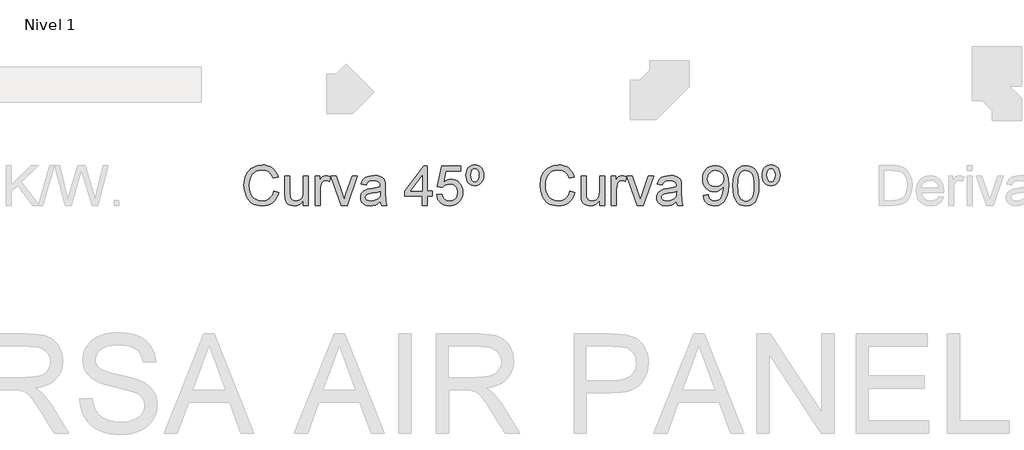
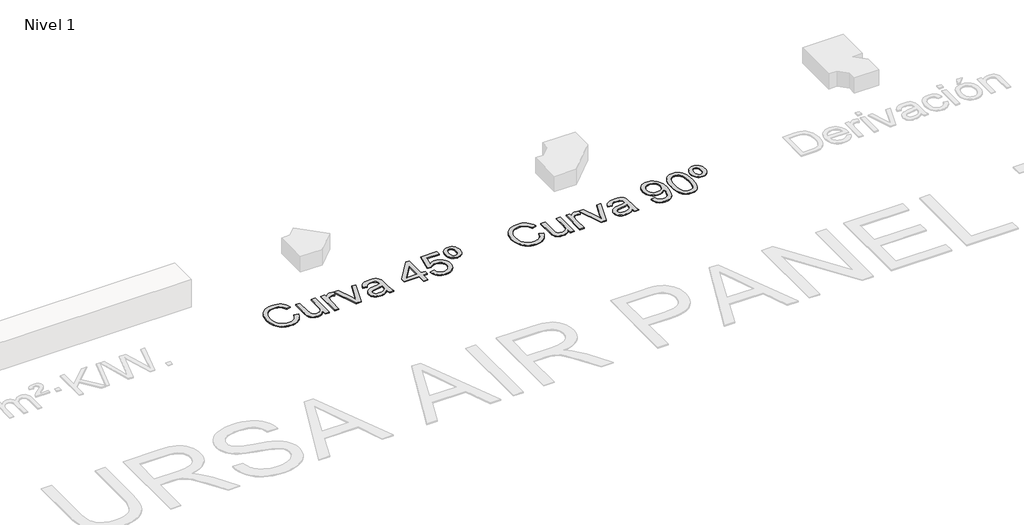
# One storey, part 3 of 8: 2 proxies.
"""IFC4 building model written with IfcOpenShell, lengths in millimetres."""

from ifc_helpers import new_model, si_unit, origin, origin_with_axes, place, context, project, spatial, polyline, outline, extrude, element, save

model = new_model("IFC4")

# Units and contexts
model_context = context("Model", 3, world=origin())
ifc_project = project(units=[si_unit("LENGTHUNIT", "METRE", prefix="MILLI")], contexts=[model_context])

# Site, building, storey
site = spatial("IfcSite", under=ifc_project)
building = spatial("IfcBuilding", under=site)
storey = spatial("IfcBuildingStorey", under=building, Name="Nivel 1", Elevation=0.0)

# Proxies
placement = place(None, origin())
element("IfcBuildingElementProxy", 1, Name="Texto de modelo 1", ObjectType="Texto de modelo 1", at=placement, inside=storey, context=model_context, shape_type="SweptSolid", body=[
    extrude(outline(polyline([(-12862.0094574, -4173.4884877), (-12811.7813023, -4186.4379339), (-12821.7202475, -4217.674181), (-12834.957868, -4244.9679594), (-12851.4941637, -4268.319269), (-12871.3291346, -4287.7281099), (-12894.0151909, -4302.9860157), (-12919.104743, -4313.8845198), (-12946.5977908, -4320.4236223), (-12976.4943343, -4322.6033231), (-13007.123576, -4320.9539855), (-13034.7545796, -4316.0059726), (-13059.3873448, -4307.7592846), (-13081.0218718, -4296.2139213), (-13099.9555318, -4281.5415611), (-13116.4856962, -4263.9138821), (-13130.6123648, -4243.3308845), (-13142.3355377, -4219.7925682), (-13158.1176753, -4167.9212068), (-13163.3783878, -4112.3710256), (-13157.4309622, -4053.7796865), (-13149.9966802, -4027.4822552), (-13139.5886855, -4003.1836494), (-13126.4399698, -3981.2854736), (-13110.7835252, -3962.1893324), (-13092.6193517, -3945.8952257), (-13071.9474493, -3932.4031535), (-13049.4698594, -3921.8234805), (-13025.8886235, -3914.2665712), (-12975.4152137, -3908.2210437), (-12946.6866956, -3910.1769497), (-12920.3432791, -3916.0446675), (-12896.3849641, -3925.8241972), (-12874.8117508, -3939.5155388), (-12855.9792583, -3956.7569416), (-12840.243106, -3977.1866551), (-12827.6032938, -4000.8046792), (-12818.0598217, -4027.6110139), (-12868.2879767, -4039.5794415), (-12885.7010579, -4002.9506575), (-12909.4907602, -3977.8243172), (-12939.9513894, -3963.2929784), (-12977.377251, -3958.4491988), (-13020.5175463, -3963.8202759), (-13039.1998203, -3970.5341223), (-13055.9568452, -3979.9335073), (-13082.8490191, -4005.0966358), (-13100.3479393, -4037.6174041), (-13109.9496594, -4074.3810782), (-13113.1502327, -4112.2729237), (-13109.3610482, -4158.675106), (-13097.9934945, -4198.798769), (-13078.6183761, -4231.1110709), (-13050.8064973, -4254.0791701), (-13017.4641258, -4267.8011685), (-12981.4975294, -4272.375168), (-12959.6606673, -4270.8178009), (-12939.5712447, -4266.1456996), (-12921.2292615, -4258.358864), (-12904.6347179, -4247.4572942), (-12890.1800211, -4233.4900411), (-12878.2575788, -4216.5061557), (-12868.8673909, -4196.5056379), (-12862.0094574, -4173.4884877)])), origin_with_axes(), (0.0, 0.0, 1.0), 10.0),
    extrude(outline(polyline([(-12560.6405269, -4316.3248037), (-12560.6405269, -4265.6061393), (-12578.8138975, -4290.5424072), (-12599.9793749, -4308.3540271), (-12624.1369593, -4319.0409991), (-12651.2866505, -4322.6033231), (-12675.7508032, -4320.1017255), (-12698.5226987, -4312.5969328), (-12717.628037, -4301.3152183), (-12731.092518, -4287.4828553), (-12740.1546778, -4270.6829108), (-12746.0530525, -4250.498452), (-12748.9961084, -4203.8019641), (-12748.9961084, -4021.2343926), (-12698.7679534, -4021.2343926), (-12698.7679534, -4180.1594145), (-12695.7267955, -4231.3685883), (-12688.4059438, -4248.4505756), (-12675.8611678, -4261.43681), (-12658.9263333, -4269.6405785), (-12638.4353062, -4272.375168), (-12616.7670566, -4269.5792648), (-12596.4967587, -4261.1915554), (-12579.7826534, -4247.9845917), (-12568.7829817, -4230.7309262), (-12562.6761406, -4207.1006393), (-12560.6405269, -4174.763812), (-12560.6405269, -4021.2343926), (-12510.4123718, -4021.2343926), (-12510.4123718, -4316.3248037), (-12560.6405269, -4316.3248037)])), origin_with_axes(), (0.0, 0.0, 1.0), 10.0),
    extrude(outline(polyline([(-12180.5939004, -4316.3248037), (-12284.385674, -4021.2343926), (-12231.214463, -4021.2343926), (-12168.3311673, -4198.013954), (-12149.3975072, -4257.4636845), (-12130.8562547, -4201.3494175), (-12067.5805515, -4021.2343926), (-12014.4093405, -4021.2343926), (-12116.9257898, -4316.3248037), (-12180.5939004, -4316.3248037)])), origin_with_axes(), (0.0, 0.0, 1.0), 10.0),
    extrude(outline(polyline([(-12441.3486586, -4316.3248037), (-12441.3486586, -4021.2343926), (-12397.3990229, -4021.2343926), (-12397.3990229, -4064.8897227), (-12381.1631642, -4039.5794415), (-12366.2026297, -4024.6679579), (-12351.1930443, -4017.3838944), (-12334.8100328, -4014.9558732), (-12309.7940571, -4018.8308969), (-12284.385674, -4030.455968), (-12301.161093, -4075.4847242), (-12318.8194287, -4067.7592023), (-12336.4777645, -4065.1840283), (-12351.4750872, -4067.6611004), (-12364.8782545, -4075.0923167), (-12375.7062479, -4086.9135915), (-12382.9780487, -4102.560839), (-12389.0848898, -4130.6179725), (-12391.1205035, -4161.2257545), (-12391.1205035, -4316.3248037), (-12441.3486586, -4316.3248037)])), origin_with_axes(), (0.0, 0.0, 1.0), 10.0),
    extrude(outline(polyline([(-11782.1041233, -4278.6536874), (-11806.1022921, -4299.2305537), (-11830.8116994, -4312.6950347), (-11856.796431, -4320.126251), (-11884.6205726, -4322.6033231), (-11906.9847322, -4321.113401), (-11926.5959082, -4316.6436348), (-11943.4541007, -4309.1940244), (-11957.5593095, -4298.7645698), (-11968.6969369, -4286.0174587), (-11976.652385, -4271.6148785), (-11981.4256539, -4255.5568295), (-11983.0167436, -4237.8433114), (-11980.6132478, -4217.0211905), (-11973.4027607, -4198.1120559), (-11962.2804618, -4181.9252481), (-11948.1415304, -4169.2701075), (-11931.525527, -4159.7051756), (-11912.9720117, -4152.7889941), (-11869.5128853, -4145.2351505), (-11818.1565588, -4137.2888994), (-11782.3984288, -4127.9692222), (-11782.1041233, -4116.7856095), (-11785.562214, -4094.3693333), (-11795.9364863, -4079.7031044), (-11819.1375774, -4068.8137973), (-11851.4621421, -4065.1840283), (-11881.383211, -4067.5997868), (-11902.2789083, -4074.8470621), (-11916.5282043, -4088.2502294), (-11926.5100691, -4109.133664), (-11976.7382242, -4102.8551446), (-11968.0194209, -4075.3866223), (-11955.008661, -4053.8042119), (-11936.4919339, -4037.2985731), (-11911.255229, -4025.0603654), (-11880.3899296, -4017.4819963), (-11844.987419, -4014.9558732), (-11811.0319108, -4017.1876907), (-11784.1152115, -4023.883143), (-11763.8203881, -4033.9508469), (-11749.7305077, -4046.2994192), (-11740.386305, -4061.566522), (-11734.3285148, -4080.3898175), (-11731.8759682, -4124.3394531), (-11731.8759682, -4186.8303414), (-11729.3253197, -4274.0919506), (-11719.3189294, -4316.3248037), (-11769.5470845, -4316.3248037), (-11777.5914374, -4298.8626717), (-11782.1041233, -4278.6536874)]), holes=[polyline([(-11782.1041233, -4178.1973772), (-11815.8511649, -4186.5605613), (-11863.1362641, -4193.5993701), (-11906.3501358, -4201.7418249), (-11917.5950621, -4207.3091058), (-11925.9214579, -4214.9855768), (-11931.0718058, -4224.1826266), (-11932.7885885, -4234.3116442), (-11929.0484549, -4249.2476532), (-11917.828054, -4261.4858609), (-11899.3726406, -4269.6528412), (-11873.9274692, -4272.375168), (-11846.9494563, -4269.3707984), (-11823.110703, -4260.3576895), (-11803.7846355, -4247.0771495), (-11790.3446799, -4231.2704864), (-11784.3849916, -4214.9855768), (-11782.3984288, -4192.4221477), (-11782.1041233, -4178.1973772)])]), origin_with_axes(), (0.0, 0.0, 1.0), 10.0),
    extrude(outline(polyline([(-11355.1648051, -4316.3248037), (-11355.1648051, -4222.1470129), (-11537.2418673, -4222.1470129), (-11537.2418673, -4171.9188579), (-11342.6077663, -3920.7780825), (-11304.93665, -3920.7780825), (-11304.93665, -4171.9188579), (-11254.708495, -4171.9188579), (-11254.708495, -4222.1470129), (-11304.93665, -4222.1470129), (-11304.93665, -4316.3248037), (-11355.1648051, -4316.3248037)]), holes=[polyline([(-11355.1648051, -4171.9188579), (-11355.1648051, -4016.7217068), (-11475.4376921, -4171.9188579), (-11355.1648051, -4171.9188579)])]), origin_with_axes(), (0.0, 0.0, 1.0), 10.0),
    extrude(outline(polyline([(-11210.7588593, -4209.5899742), (-11160.5307042, -4203.3114548), (-11151.3091289, -4233.4655156), (-11135.2204229, -4255.0601888), (-11112.3381628, -4268.0464232), (-11082.735925, -4272.375168), (-11063.6060612, -4270.8699175), (-11046.7325404, -4266.354166), (-11032.1153624, -4258.8279135), (-11019.7545274, -4248.2911601), (-11009.9259467, -4235.2650717), (-11002.905532, -4220.2708148), (-10997.2892002, -4184.3777948), (-11002.5499127, -4150.5817021), (-11009.1258034, -4136.6635), (-11018.3320503, -4124.7318606), (-11030.1993104, -4115.1607974), (-11044.7582403, -4108.3243236), (-11081.95111, -4102.8551446), (-11106.3171608, -4105.0379111), (-11126.0478985, -4111.5862106), (-11141.8055106, -4121.6171264), (-11154.2521848, -4134.2477415), (-11204.4803399, -4127.9692222), (-11160.5307042, -3920.7780825), (-10965.8966033, -3920.7780825), (-10965.8966033, -3971.0062376), (-11119.9165319, -3971.0062376), (-11141.4008405, -4081.6651417), (-11123.6750597, -4068.9609501), (-11105.5200832, -4059.8865276), (-11086.9359111, -4054.4418741), (-11067.9225433, -4052.6269896), (-11043.4614563, -4054.8772011), (-11020.9930634, -4061.6278357), (-11000.5173647, -4072.8788934), (-10982.0343601, -4088.6303741), (-10966.7335348, -4107.9196534), (-10955.8043739, -4129.7841067), (-10949.2468773, -4154.2237339), (-10947.0610451, -4181.2385351), (-10949.0292138, -4207.2600549), (-10954.9337198, -4231.4666901), (-10964.7745632, -4253.8584409), (-10978.5517439, -4274.4353072), (-10999.4229158, -4295.5088141), (-11023.7767039, -4310.5613191), (-11051.6131082, -4319.5928221), (-11082.9321287, -4322.6033231), (-11108.8524809, -4320.6688769), (-11132.2651042, -4314.8655384), (-11153.1699986, -4305.1933077), (-11171.5671641, -4291.6521846), (-11186.8741207, -4274.9166195), (-11198.5083888, -4255.6610627), (-11206.4699683, -4233.8855143), (-11210.7588593, -4209.5899742)])), origin_with_axes(), (0.0, 0.0, 1.0), 10.0),
    extrude(outline(polyline([(-10824.6299171, -3908.2210437), (-10805.4448711, -3909.9439577), (-10788.1114978, -3915.1126998), (-10772.6297971, -3923.7272698), (-10758.9997692, -3935.7876679), (-10747.8836016, -3950.8830924), (-10739.9434818, -3968.6027419), (-10735.17941, -3988.9466162), (-10733.5913861, -4011.9147154), (-10735.1886071, -4034.7969755), (-10739.98027, -4055.0795362), (-10747.966375, -4072.7623974), (-10759.146922, -4087.8455592), (-10772.8045411, -4099.9059573), (-10788.2218623, -4108.5205274), (-10805.3988858, -4113.6892694), (-10824.3356115, -4115.4121834), (-10843.5298546, -4113.7229919), (-10860.8908191, -4108.6554174), (-10876.418505, -4100.2094599), (-10890.1129123, -4088.3851195), (-10901.2934593, -4073.5441467), (-10909.2795642, -4056.0482921), (-10914.0712272, -4035.8975558), (-10915.6684482, -4013.0919378), (-10914.0804243, -3989.6088038), (-10909.3163524, -3968.8970474), (-10901.3762327, -3950.9566688), (-10890.2600651, -3935.7876679), (-10876.6300372, -3923.7272698), (-10861.1483365, -3915.1126998), (-10843.8149632, -3909.9439577), (-10824.6299171, -3908.2210437)]), holes=[polyline([(-10824.6299171, -3945.89216), (-10841.1968697, -3949.754921), (-10854.2076296, -3961.3432038), (-10862.6321272, -3981.6870781), (-10865.4402931, -4011.8166136), (-10862.5830763, -4041.394326), (-10854.0114258, -4061.8485649), (-10840.951615, -4073.7679415), (-10824.6299171, -4077.7410671), (-10808.185592, -4073.7679415), (-10795.1503066, -4061.8485649), (-10786.6522325, -4041.0509694), (-10783.8195411, -4010.4431874), (-10786.676758, -3981.7116036), (-10795.2484085, -3961.6375094), (-10808.3082193, -3949.8284974), (-10824.6299171, -3945.89216)])]), origin_with_axes(), (0.0, 0.0, 1.0), 10.0),
])
element("IfcBuildingElementProxy", 2, Name="Texto de modelo 1", ObjectType="Texto de modelo 1", at=placement, inside=storey, context=model_context, shape_type="SweptSolid", body=[
    extrude(outline(polyline([(-9862.0094574, -4173.4884877), (-9811.7813023, -4186.4379339), (-9821.7202475, -4217.674181), (-9834.957868, -4244.9679594), (-9851.4941637, -4268.319269), (-9871.3291346, -4287.7281099), (-9894.0151909, -4302.9860157), (-9919.104743, -4313.8845198), (-9946.5977908, -4320.4236223), (-9976.4943343, -4322.6033231), (-10007.123576, -4320.9539855), (-10034.7545796, -4316.0059726), (-10059.3873448, -4307.7592846), (-10081.0218718, -4296.2139213), (-10099.9555318, -4281.5415611), (-10116.4856962, -4263.9138821), (-10130.6123648, -4243.3308845), (-10142.3355377, -4219.7925682), (-10158.1176753, -4167.9212068), (-10163.3783878, -4112.3710256), (-10157.4309622, -4053.7796865), (-10149.9966802, -4027.4822552), (-10139.5886855, -4003.1836494), (-10126.4399698, -3981.2854736), (-10110.7835252, -3962.1893324), (-10092.6193517, -3945.8952257), (-10071.9474493, -3932.4031535), (-10049.4698594, -3921.8234805), (-10025.8886235, -3914.2665712), (-9975.4152137, -3908.2210437), (-9946.6866956, -3910.1769497), (-9920.3432791, -3916.0446675), (-9896.3849641, -3925.8241972), (-9874.8117508, -3939.5155388), (-9855.9792583, -3956.7569416), (-9840.243106, -3977.1866551), (-9827.6032938, -4000.8046792), (-9818.0598217, -4027.6110139), (-9868.2879767, -4039.5794415), (-9885.7010579, -4002.9506575), (-9909.4907602, -3977.8243172), (-9939.9513894, -3963.2929784), (-9977.377251, -3958.4491988), (-10020.5175463, -3963.8202759), (-10039.1998203, -3970.5341223), (-10055.9568452, -3979.9335073), (-10082.8490191, -4005.0966358), (-10100.3479393, -4037.6174041), (-10109.9496594, -4074.3810782), (-10113.1502327, -4112.2729237), (-10109.3610482, -4158.675106), (-10097.9934945, -4198.798769), (-10078.6183761, -4231.1110709), (-10050.8064973, -4254.0791701), (-10017.4641258, -4267.8011685), (-9981.4975294, -4272.375168), (-9959.6606673, -4270.8178009), (-9939.5712447, -4266.1456996), (-9921.2292615, -4258.358864), (-9904.6347179, -4247.4572942), (-9890.1800211, -4233.4900411), (-9878.2575788, -4216.5061557), (-9868.8673909, -4196.5056379), (-9862.0094574, -4173.4884877)])), origin_with_axes(), (0.0, 0.0, 1.0), 10.0),
    extrude(outline(polyline([(-9560.6405269, -4316.3248037), (-9560.6405269, -4265.6061393), (-9578.8138975, -4290.5424072), (-9599.9793749, -4308.3540271), (-9624.1369593, -4319.0409991), (-9651.2866505, -4322.6033231), (-9675.7508032, -4320.1017255), (-9698.5226987, -4312.5969328), (-9717.628037, -4301.3152183), (-9731.092518, -4287.4828553), (-9740.1546778, -4270.6829108), (-9746.0530525, -4250.498452), (-9748.9961084, -4203.8019641), (-9748.9961084, -4021.2343926), (-9698.7679534, -4021.2343926), (-9698.7679534, -4180.1594145), (-9695.7267955, -4231.3685883), (-9688.4059438, -4248.4505756), (-9675.8611678, -4261.43681), (-9658.9263333, -4269.6405785), (-9638.4353062, -4272.375168), (-9616.7670566, -4269.5792648), (-9596.4967587, -4261.1915554), (-9579.7826534, -4247.9845917), (-9568.7829817, -4230.7309262), (-9562.6761406, -4207.1006393), (-9560.6405269, -4174.763812), (-9560.6405269, -4021.2343926), (-9510.4123718, -4021.2343926), (-9510.4123718, -4316.3248037), (-9560.6405269, -4316.3248037)])), origin_with_axes(), (0.0, 0.0, 1.0), 10.0),
    extrude(outline(polyline([(-9180.5939004, -4316.3248037), (-9284.385674, -4021.2343926), (-9231.214463, -4021.2343926), (-9168.3311673, -4198.013954), (-9149.3975072, -4257.4636845), (-9130.8562547, -4201.3494175), (-9067.5805515, -4021.2343926), (-9014.4093405, -4021.2343926), (-9116.9257898, -4316.3248037), (-9180.5939004, -4316.3248037)])), origin_with_axes(), (0.0, 0.0, 1.0), 10.0),
    extrude(outline(polyline([(-9441.3486586, -4316.3248037), (-9441.3486586, -4021.2343926), (-9397.3990229, -4021.2343926), (-9397.3990229, -4064.8897227), (-9381.1631642, -4039.5794415), (-9366.2026297, -4024.6679579), (-9351.1930443, -4017.3838944), (-9334.8100328, -4014.9558732), (-9309.7940571, -4018.8308969), (-9284.385674, -4030.455968), (-9301.161093, -4075.4847242), (-9318.8194287, -4067.7592023), (-9336.4777645, -4065.1840283), (-9351.4750872, -4067.6611004), (-9364.8782545, -4075.0923167), (-9375.7062479, -4086.9135915), (-9382.9780487, -4102.560839), (-9389.0848898, -4130.6179725), (-9391.1205035, -4161.2257545), (-9391.1205035, -4316.3248037), (-9441.3486586, -4316.3248037)])), origin_with_axes(), (0.0, 0.0, 1.0), 10.0),
    extrude(outline(polyline([(-8782.1041233, -4278.6536874), (-8806.1022921, -4299.2305537), (-8830.8116994, -4312.6950347), (-8856.796431, -4320.126251), (-8884.6205726, -4322.6033231), (-8906.9847322, -4321.113401), (-8926.5959082, -4316.6436348), (-8943.4541007, -4309.1940244), (-8957.5593095, -4298.7645698), (-8968.6969369, -4286.0174587), (-8976.652385, -4271.6148785), (-8981.4256539, -4255.5568295), (-8983.0167436, -4237.8433114), (-8980.6132478, -4217.0211905), (-8973.4027607, -4198.1120559), (-8962.2804618, -4181.9252481), (-8948.1415304, -4169.2701075), (-8931.525527, -4159.7051756), (-8912.9720117, -4152.7889941), (-8869.5128853, -4145.2351505), (-8818.1565588, -4137.2888994), (-8782.3984288, -4127.9692222), (-8782.1041233, -4116.7856095), (-8785.562214, -4094.3693333), (-8795.9364863, -4079.7031044), (-8819.1375774, -4068.8137973), (-8851.4621421, -4065.1840283), (-8881.383211, -4067.5997868), (-8902.2789083, -4074.8470621), (-8916.5282043, -4088.2502294), (-8926.5100691, -4109.133664), (-8976.7382242, -4102.8551446), (-8968.0194209, -4075.3866223), (-8955.008661, -4053.8042119), (-8936.4919339, -4037.2985731), (-8911.255229, -4025.0603654), (-8880.3899296, -4017.4819963), (-8844.987419, -4014.9558732), (-8811.0319108, -4017.1876907), (-8784.1152115, -4023.883143), (-8763.8203881, -4033.9508469), (-8749.7305077, -4046.2994192), (-8740.386305, -4061.566522), (-8734.3285148, -4080.3898175), (-8731.8759682, -4124.3394531), (-8731.8759682, -4186.8303414), (-8729.3253197, -4274.0919506), (-8719.3189294, -4316.3248037), (-8769.5470845, -4316.3248037), (-8777.5914374, -4298.8626717), (-8782.1041233, -4278.6536874)]), holes=[polyline([(-8782.1041233, -4178.1973772), (-8815.8511649, -4186.5605613), (-8863.1362641, -4193.5993701), (-8906.3501358, -4201.7418249), (-8917.5950621, -4207.3091058), (-8925.9214579, -4214.9855768), (-8931.0718058, -4224.1826266), (-8932.7885885, -4234.3116442), (-8929.0484549, -4249.2476532), (-8917.828054, -4261.4858609), (-8899.3726406, -4269.6528412), (-8873.9274692, -4272.375168), (-8846.9494563, -4269.3707984), (-8823.110703, -4260.3576895), (-8803.7846355, -4247.0771495), (-8790.3446799, -4231.2704864), (-8784.3849916, -4214.9855768), (-8782.3984288, -4192.4221477), (-8782.1041233, -4178.1973772)])]), origin_with_axes(), (0.0, 0.0, 1.0), 10.0),
    extrude(outline(polyline([(-8512.1277897, -4215.8684935), (-8461.8996347, -4209.5899742), (-8453.3157214, -4238.1008288), (-8439.3362056, -4257.5127354), (-8420.3044437, -4268.6595599), (-8396.5637923, -4272.375168), (-8375.2634248, -4269.983935), (-8355.9005691, -4262.8102361), (-8339.8118632, -4251.6388862), (-8328.3339449, -4237.2547002), (-8311.9018825, -4193.5993701), (-8306.457229, -4165.1988801), (-8304.6423444, -4135.3268621), (-8304.93665, -4125.5166755), (-8322.3374684, -4146.7557294), (-8345.1093639, -4163.5801993), (-8371.6091303, -4174.5430828), (-8400.1935613, -4178.1973772), (-8424.0537744, -4175.9655598), (-8445.9948697, -4169.2701075), (-8466.0168473, -4158.1110203), (-8484.1197072, -4142.4882982), (-8499.1200955, -4123.2174131), (-8509.8346586, -4101.1138365), (-8516.2633965, -4076.1775686), (-8518.4063091, -4048.4086093), (-8516.1591633, -4019.7138137), (-8509.4177257, -3993.9620741), (-8498.1819964, -3971.1533904), (-8482.4519754, -3951.2877626), (-8463.3374401, -3935.1929253), (-8441.9481678, -3923.696613), (-8418.2841584, -3916.7988256), (-8392.3454121, -3914.4995631), (-8354.8827623, -3919.7480129), (-8320.7801013, -3935.4933623), (-8292.2569839, -3960.9507964), (-8271.5329649, -3995.3355002), (-8258.9146124, -4042.8658539), (-8254.708495, -4107.7602379), (-8258.9023497, -4176.5664337), (-8271.4839139, -4229.7499075), (-8292.3428231, -4269.7141549), (-8305.8348952, -4285.6403796), (-8321.3687125, -4298.8626717), (-8338.6315751, -4309.2492067), (-8357.3107834, -4316.6681602), (-8398.9182371, -4322.6033231), (-8421.4755347, -4320.8528179), (-8441.8623286, -4315.6013024), (-8460.0786188, -4306.8487766), (-8476.1244051, -4294.5952405), (-8489.5950175, -4279.1717879), (-8500.0857857, -4260.9095125), (-8507.5967098, -4239.8084144), (-8512.1277897, -4215.8684935)]), holes=[polyline([(-8304.93665, -4047.231387), (-8310.3567781, -4013.1900397), (-8317.1319382, -3999.112422), (-8326.6171623, -3986.9968416), (-8338.3464666, -3977.2541001), (-8351.8538672, -3970.294999), (-8384.2029573, -3964.7277182), (-8401.8122421, -3966.2268373), (-8417.7537952, -3970.7241947), (-8432.0276166, -3978.2197903), (-8444.6337063, -3988.7136243), (-8454.9344022, -4001.5925598), (-8462.2920421, -4016.2434602), (-8466.7066261, -4032.6663256), (-8468.178154, -4050.861156), (-8462.6108732, -4081.8981336), (-8455.6517721, -4095.0161924), (-8445.9090306, -4106.5339646), (-8433.7873189, -4115.9118898), (-8419.6913071, -4122.6104078), (-8385.5763834, -4127.9692222), (-8353.4848107, -4122.6104078), (-8327.6472319, -4106.5339646), (-8317.7113523, -4094.7893319), (-8310.6142955, -4080.9906914), (-8304.93665, -4047.231387)])]), origin_with_axes(), (0.0, 0.0, 1.0), 10.0),
    extrude(outline(polyline([(-8210.7588593, -4118.649545), (-8207.0677766, -4054.3315095), (-8195.9945285, -4003.0364966), (-8177.6494797, -3963.9796914), (-8165.7914167, -3948.7463112), (-8152.1429947, -3936.3762791), (-8136.6582284, -3926.8052158), (-8119.2911325, -3919.9687421), (-8078.9099522, -3914.4995631), (-8047.9588137, -3917.7369247), (-8020.2450367, -3927.4490093), (-7997.068471, -3943.2556724), (-7979.7289663, -3964.7767691), (-7966.6323673, -3991.8283585), (-7956.1845186, -4024.2264995), (-7949.3419135, -4065.3679693), (-7947.0610451, -4118.649545), (-7950.7153396, -4182.5996984), (-7961.6782231, -4233.772084), (-7979.9129073, -4272.8656773), (-7991.7433791, -4288.1450429), (-8005.3826041, -4300.5794543), (-8020.8857645, -4310.2148969), (-8038.3080427, -4317.0973559), (-8078.9099522, -4322.6033231), (-8106.5746782, -4320.2120901), (-8131.1001446, -4313.0383912), (-8152.4863512, -4301.0822264), (-8170.7332982, -4284.3435956), (-8188.2444812, -4254.0853015), (-8200.752469, -4216.3835283), (-8208.2572617, -4171.2382762), (-8210.7588593, -4118.649545)]), holes=[polyline([(-8160.5307042, -4118.5514431), (-8159.0591762, -4162.2159702), (-8154.6445923, -4197.5602329), (-8147.2869524, -4224.5842311), (-8136.9862565, -4243.2879649), (-8124.5273196, -4256.0136163), (-8110.6949566, -4265.1033672), (-8095.4891675, -4270.5572178), (-8078.9099522, -4272.375168), (-8062.330737, -4270.5510864), (-8047.1249478, -4265.0788418), (-8033.2925848, -4255.958434), (-8020.8336479, -4243.1898631), (-8010.532952, -4224.4554724), (-8003.1753121, -4197.4376056), (-7998.7607282, -4162.1362625), (-7997.2892002, -4118.5514431), (-7998.7116773, -4076.0426785), (-8002.9791084, -4041.3207496), (-8010.0914936, -4014.3856562), (-8020.048833, -3995.2373983), (-8032.2993034, -3981.8894132), (-8046.291082, -3972.3551382), (-8062.0241686, -3966.6345732), (-8079.4985634, -3964.7277182), (-8095.9919395, -3966.4077126), (-8110.9402113, -3971.4476959), (-8124.3433786, -3979.8476682), (-8136.2014416, -3991.6076293), (-8146.845494, -4012.4542757), (-8154.4483885, -4040.5604601), (-8159.0101253, -4075.9261826), (-8160.5307042, -4118.5514431)])]), origin_with_axes(), (0.0, 0.0, 1.0), 10.0),
    extrude(outline(polyline([(-7824.6299171, -3908.2210437), (-7805.4448711, -3909.9439577), (-7788.1114978, -3915.1126998), (-7772.6297971, -3923.7272698), (-7758.9997692, -3935.7876679), (-7747.8836016, -3950.8830924), (-7739.9434818, -3968.6027419), (-7735.17941, -3988.9466162), (-7733.5913861, -4011.9147154), (-7735.1886071, -4034.7969755), (-7739.98027, -4055.0795362), (-7747.966375, -4072.7623974), (-7759.146922, -4087.8455592), (-7772.8045411, -4099.9059573), (-7788.2218623, -4108.5205274), (-7805.3988858, -4113.6892694), (-7824.3356115, -4115.4121834), (-7843.5298546, -4113.7229919), (-7860.8908191, -4108.6554174), (-7876.418505, -4100.2094599), (-7890.1129123, -4088.3851195), (-7901.2934593, -4073.5441467), (-7909.2795642, -4056.0482921), (-7914.0712272, -4035.8975558), (-7915.6684482, -4013.0919378), (-7914.0804243, -3989.6088038), (-7909.3163524, -3968.8970474), (-7901.3762327, -3950.9566688), (-7890.2600651, -3935.7876679), (-7876.6300372, -3923.7272698), (-7861.1483365, -3915.1126998), (-7843.8149632, -3909.9439577), (-7824.6299171, -3908.2210437)]), holes=[polyline([(-7824.6299171, -3945.89216), (-7841.1968697, -3949.754921), (-7854.2076296, -3961.3432038), (-7862.6321272, -3981.6870781), (-7865.4402931, -4011.8166136), (-7862.5830763, -4041.394326), (-7854.0114258, -4061.8485649), (-7840.951615, -4073.7679415), (-7824.6299171, -4077.7410671), (-7808.185592, -4073.7679415), (-7795.1503066, -4061.8485649), (-7786.6522325, -4041.0509694), (-7783.8195411, -4010.4431874), (-7786.676758, -3981.7116036), (-7795.2484085, -3961.6375094), (-7808.3082193, -3949.8284974), (-7824.6299171, -3945.89216)])]), origin_with_axes(), (0.0, 0.0, 1.0), 10.0),
])

save(model, "model.ifc")
